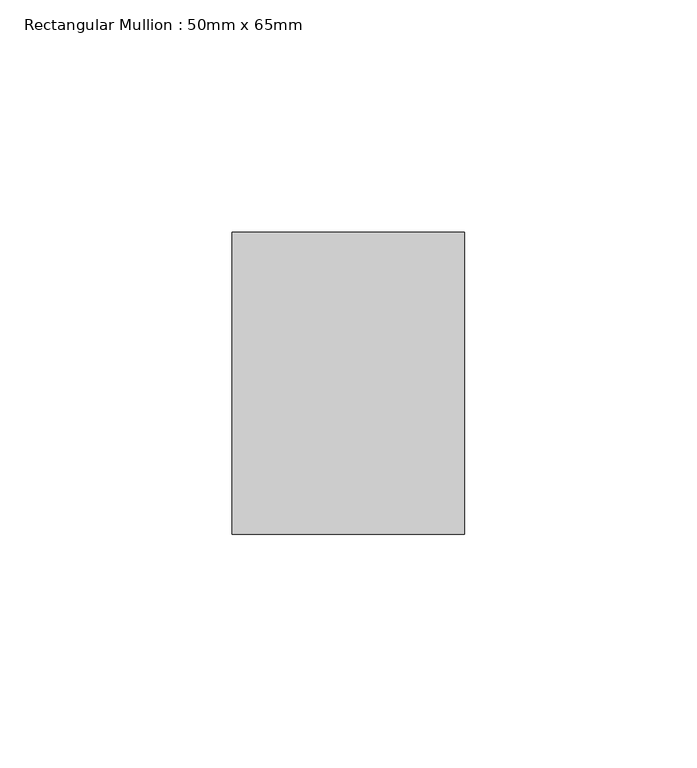
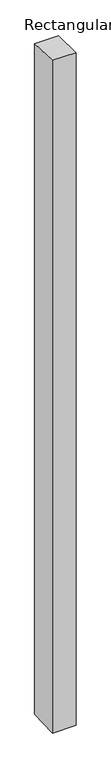
"""IFC4 building model written with IfcOpenShell, lengths in millimetres: member geometry, Rectangular Mullion : 50mm x 65mm."""

from ifc_helpers import new_model, si_unit, origin, place, context, project, spatial, faceted_brep, source, transform, mapped, element, save


def rectangular_mullion_50mm_x_65mm_85fa661e(model_context):
    return source(origin(), model_context, "Body", "Brep", [
        faceted_brep([(-25.0, 32.5, -1.1419539), (25.0, 32.5, -1.1419466), (25.0, 32.5, -1498.5324613), (-25.0, 32.5, -1498.5324519), (-25.0, -32.5, 1.1419466), (-25.0, -32.5, -1501.4678024), (25.0, -32.5, 1.1419539), (25.0, -32.5, -1501.4678118)], [[[0, 1, 2, 3]], [[4, 0, 3, 5]], [[6, 4, 5, 7]], [[1, 6, 7, 2]], [[1, 0, 4, 6]], [[2, 7, 5, 3]]]),
    ])


if __name__ == "__main__":
    model = new_model("IFC4")
    model_context = context("Model", 3, world=origin())
    ifc_project = project(units=[si_unit("LENGTHUNIT", "METRE", prefix="MILLI")], contexts=[model_context])
    site = spatial("IfcSite", under=ifc_project)
    building = spatial("IfcBuilding", under=site)
    placement = place(None, origin())
    rectangular_mullion_50mm_x_65mm_shape = rectangular_mullion_50mm_x_65mm_85fa661e(model_context)
    element("IfcMember", 1, ObjectType="Rectangular Mullion : 50mm x 65mm", at=placement, inside=building, context=model_context, shape_type="MappedRepresentation", body=[
        mapped(rectangular_mullion_50mm_x_65mm_shape, transform((0.0, 0.0, 0.0), x_axis=(1.0, 0.0, 0.0), y_axis=(0.0, 1.0, 0.0), z_axis=(0.0, 0.0, 1.0))),
    ])
    save(model, "model.ifc")
